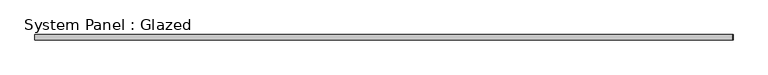
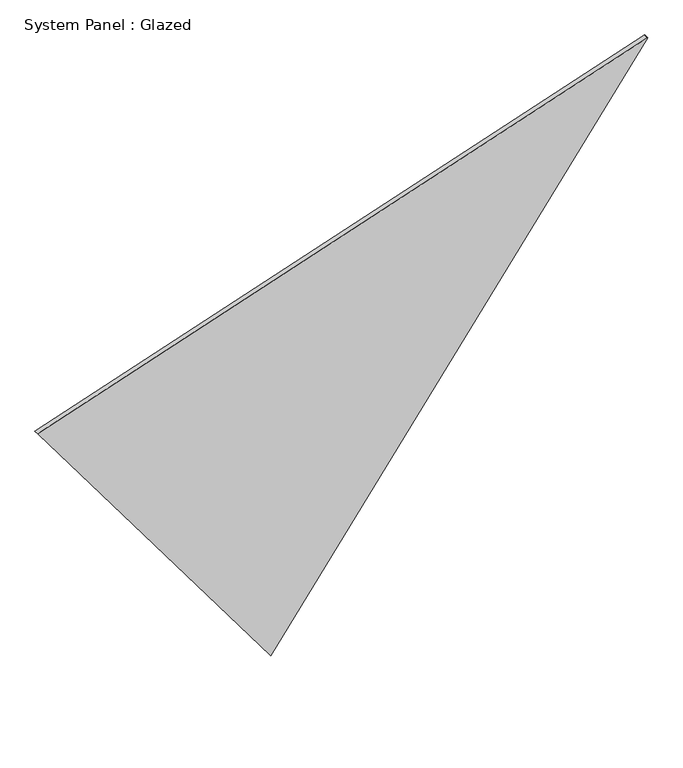
"""IFC4 building model written with IfcOpenShell, lengths in millimetres: plate geometry, System Panel : Glazed."""

from ifc_helpers import new_model, si_unit, frame, origin, place, context, project, spatial, polyline, outline, extrude, source, transform, mapped, element, save


def system_panel_glazed_b1dd608b(model_context):
    return source(origin(), model_context, "Body", "SweptSolid", [
        extrude(outline(polyline([(1691.5088899, -1630.1495259), (0.0, -384.2710421), (2787.3232573, 1630.1495259), (2788.5872162, 1629.2185588), (1691.5088899, -1630.1495259)])), frame((0.0, -49.5, 0.0), z_axis=(0.0, 1.0, 0.0), x_axis=(0.0, 0.0, 1.0)), (0.0, 0.0, 1.0), 25.0),
    ])


if __name__ == "__main__":
    model = new_model("IFC4")
    model_context = context("Model", 3, world=origin())
    ifc_project = project(units=[si_unit("LENGTHUNIT", "METRE", prefix="MILLI")], contexts=[model_context])
    site = spatial("IfcSite", under=ifc_project)
    building = spatial("IfcBuilding", under=site)
    placement = place(None, origin())
    system_panel_glazed_shape = system_panel_glazed_b1dd608b(model_context)
    element("IfcPlate", 1, ObjectType="System Panel : Glazed", at=placement, inside=building, context=model_context, shape_type="MappedRepresentation", body=[
        mapped(system_panel_glazed_shape, transform((0.0, 0.0, 0.0), x_axis=(1.0, 0.0, 0.0), y_axis=(0.0, 1.0, 0.0), z_axis=(0.0, 0.0, 1.0))),
    ])
    save(model, "model.ifc")
